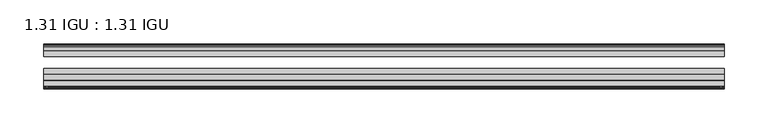
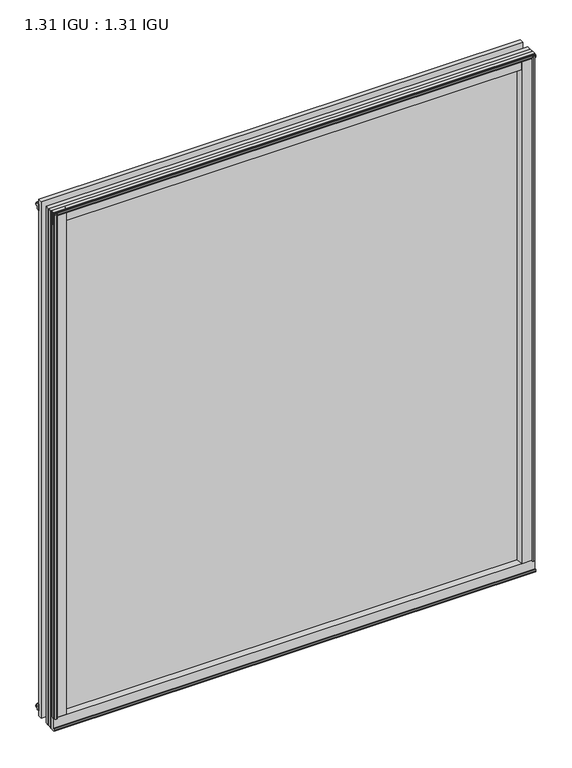
"""IFC4 building model written with IfcOpenShell, lengths in millimetres: plate geometry, 1.31 IGU : 1.31 IGU."""

from ifc_helpers import new_model, si_unit, point, frame, frame_2d, origin, origin_with_axes, place, context, project, spatial, polyline, circle_curve, trimmed, segment, composite_curve, outline, extrude, source, transform, mapped, element, save


def plate_1_31_igu_1_31_igu_3947d89f(model_context):
    return source(origin(), model_context, "Body", "SweptSolid", [
        extrude(outline(composite_curve([segment(polyline([(381.771726, -57.6333938), (365.5869791, -57.6333938)]), True, "CONTINUOUS"), segment(trimmed(circle_curve(frame_2d((358.2922499, -57.6547678)), 7.2947605), [point((365.5869791, -57.6333938))], [point((361.8445905, -51.2833938))], True, "CARTESIAN"), True, "CONTINUOUS"), segment(polyline([(361.8445905, -51.2833938), (384.7150114, -51.2833938)]), True, "CONTINUOUS"), segment(trimmed(circle_curve(frame_2d((384.7150114, -52.0707938)), 0.7874), [point((384.7150114, -51.2833938))], [point((385.4965422, -51.9748338))], False, "CARTESIAN"), True, "CONTINUOUS"), segment(polyline([(385.4965422, -51.9748338), (386.191326, -57.6333938), (384.260926, -57.6333938), (383.803726, -59.624458), (384.8050879, -59.3561439), (385.048326, -60.263921), (383.016326, -60.8083938), (380.984326, -60.263921), (381.2275641, -59.3561439), (382.228926, -59.624458), (381.771726, -57.6333938)]), True, "CONTINUOUS")], self_intersect=False)), origin_with_axes(), (0.0, 0.0, 1.0), 857.25),
        extrude(outline(composite_curve([segment(polyline([(-365.8846354, -57.6333937), (-382.0693823, -57.6333937), (-382.5265823, -59.624458), (-381.5252204, -59.3561439), (-381.2819823, -60.263921), (-383.3139823, -60.8083937), (-385.3459823, -60.263921), (-385.1027441, -59.3561439), (-384.1013823, -59.624458), (-384.5585823, -57.6333937), (-386.4889823, -57.6333937), (-385.7941985, -51.9748338)]), True, "CONTINUOUS"), segment(trimmed(circle_curve(frame_2d((-385.0126676, -52.0707937)), 0.7874), [point((-385.7941985, -51.9748338))], [point((-385.0126676, -51.2833937))], False, "CARTESIAN"), True, "CONTINUOUS"), segment(polyline([(-385.0126676, -51.2833937), (-362.1422467, -51.2833937)]), True, "CONTINUOUS"), segment(trimmed(circle_curve(frame_2d((-358.5899062, -57.6547678)), 7.2947605), [point((-362.1422467, -51.2833937))], [point((-365.8846354, -57.6333937))], True, "CARTESIAN"), True, "CONTINUOUS")], self_intersect=False)), origin_with_axes(), (0.0, 0.0, 1.0), 857.25),
        extrude(outline(polyline([(-9.7543937, -6.8579998), (-10.4009552, -9.2709998), (-11.2596632, -9.0409097), (-10.8839895, -7.6388763), (-13.1833937, -8.3819998), (-13.1833937, -11.7850089), (-17.9585937, -10.1533914), (-17.9585937, 0.6595133), (-13.1833937, -0.5079998), (-13.1833937, -5.4609998), (-10.8839895, -6.0771233), (-11.2596632, -4.6750899), (-10.4009552, -4.4449998), (-9.7543937, -6.8579998)])), frame((-386.5221354, 0.0, 0.0), z_axis=(1.0, 0.0, 0.0), x_axis=(0.0, 1.0, 0.0)), (0.0, 0.0, 1.0), 772.7466145),
        extrude(outline(composite_curve([segment(polyline([(-51.9748338, -19.930016), (-57.6333937, -20.6247998), (-57.6333937, -18.6943998), (-59.624458, -18.2371998), (-59.3561439, -19.2385617), (-60.263921, -19.4817998), (-60.8083937, -17.4497998), (-60.263921, -15.4177998), (-59.3561439, -15.6610379), (-59.624458, -16.6623998), (-57.6333937, -16.2051998), (-57.6333937, 0.0127002)]), True, "CONTINUOUS"), segment(trimmed(circle_curve(frame_2d((-58.1588233, 7.9620141)), 7.9666598), [point((-57.6333937, 0.0127002))], [point((-51.2833937, 3.9375717))], True, "CARTESIAN"), True, "CONTINUOUS"), segment(polyline([(-51.2833937, 3.9375717), (-51.2833937, -19.1484852)]), True, "CONTINUOUS"), segment(trimmed(circle_curve(frame_2d((-52.0707937, -19.1484852)), 0.7874), [point((-51.2833937, -19.1484852))], [point((-51.9748338, -19.930016))], False, "CARTESIAN"), True, "CONTINUOUS")], self_intersect=False)), frame((-386.5221354, 0.0, 0.0), z_axis=(1.0, 0.0, 0.0), x_axis=(0.0, 1.0, 0.0)), (0.0, 0.0, 1.0), 772.7466145),
        extrude(outline(polyline([(-17.9585937, 848.3533914), (-13.1833937, 849.9850089), (-13.1833937, 846.5819998), (-10.8839895, 845.8388763), (-11.2596632, 847.2409097), (-10.4009552, 847.4709998), (-9.7543937, 845.0579998), (-10.4009552, 842.6449998), (-11.2596632, 842.8750899), (-10.8839895, 844.2771233), (-13.1833937, 843.6609998), (-13.1833937, 838.7079998), (-17.9585937, 837.5404867), (-17.9585937, 848.3533914)])), frame((-386.5221354, 0.0, 0.0), z_axis=(1.0, 0.0, 0.0), x_axis=(0.0, 1.0, 0.0)), (0.0, 0.0, 1.0), 772.7466145),
        extrude(outline(composite_curve([segment(trimmed(circle_curve(frame_2d((-52.0707937, 857.3484852)), 0.7874), [point((-51.9748338, 858.130016))], [point((-51.2833937, 857.3484852))], False, "CARTESIAN"), True, "CONTINUOUS"), segment(polyline([(-51.2833937, 857.3484852), (-51.2833937, 834.2624283)]), True, "CONTINUOUS"), segment(trimmed(circle_curve(frame_2d((-58.1588233, 830.2379859)), 7.9666598), [point((-51.2833937, 834.2624283))], [point((-57.6333937, 838.1872998))], True, "CARTESIAN"), True, "CONTINUOUS"), segment(polyline([(-57.6333937, 838.1872998), (-57.6333937, 854.4051998), (-59.624458, 854.8623998), (-59.3561439, 853.8610379), (-60.263921, 853.6177998), (-60.8083937, 855.6497998), (-60.263921, 857.6817998), (-59.3561439, 857.4385617), (-59.624458, 856.4371998), (-57.6333937, 856.8943998), (-57.6333937, 858.8247998), (-51.9748338, 858.130016)]), True, "CONTINUOUS")], self_intersect=False)), frame((-386.5221354, 0.0, 0.0), z_axis=(1.0, 0.0, 0.0), x_axis=(0.0, 1.0, 0.0)), (0.0, 0.0, 1.0), 772.7466145),
        extrude(outline(polyline([(-375.1110116, -10.8839895), (-376.513045, -11.2596632), (-376.7431352, -10.4009552), (-374.3301352, -9.7543937), (-371.9171352, -10.4009552), (-372.1472253, -11.2596632), (-373.5492587, -10.8839895), (-372.9331352, -13.1833937), (-367.9801352, -13.1833937), (-366.812622, -17.9585937), (-377.6255268, -17.9585937), (-379.2571443, -13.1833937), (-375.8541352, -13.1833937), (-375.1110116, -10.8839895)])), origin_with_axes(), (0.0, 0.0, 1.0), 838.2),
        extrude(outline(polyline([(375.1237118, -10.8839895), (375.8668354, -13.1833937), (379.2698445, -13.1833937), (377.638227, -17.9585937), (366.8253223, -17.9585937), (367.9928354, -13.1833937), (372.9458354, -13.1833937), (373.5619589, -10.8839895), (372.1599255, -11.2596632), (371.9298354, -10.4009552), (374.3428354, -9.7543937), (376.7558354, -10.4009552), (376.5257452, -11.2596632), (375.1237118, -10.8839895)])), origin_with_axes(), (0.0, 0.0, 1.0), 838.2),
        extrude(outline(polyline([(386.2244791, -17.9585937), (386.2244791, -24.3085937), (-386.5221354, -24.3085937), (-386.5221354, -17.9585937), (386.2244791, -17.9585937)])), frame((0.0, 0.0, -19.0372998), z_axis=(0.0, 0.0, 1.0), x_axis=(1.0, 0.0, 0.0)), (0.0, 0.0, 1.0), 876.2872998),
        extrude(outline(polyline([(-386.5221354, -44.1459937), (-386.5221354, -37.7959937), (386.2244791, -37.7959937), (386.2244791, -44.1459937), (-386.5221354, -44.1459937)])), frame((0.0, 0.0, -19.0372998), z_axis=(0.0, 0.0, 1.0), x_axis=(1.0, 0.0, 0.0)), (0.0, 0.0, 1.0), 876.2872998),
        extrude(outline(polyline([(-386.5221354, -51.2833937), (-386.5221354, -44.9333937), (386.2244791, -44.9333937), (386.2244791, -51.2833937), (-386.5221354, -51.2833937)])), frame((0.0, 0.0, -19.0372998), z_axis=(0.0, 0.0, 1.0), x_axis=(1.0, 0.0, 0.0)), (0.0, 0.0, 1.0), 876.2872998),
    ])


if __name__ == "__main__":
    model = new_model("IFC4")
    model_context = context("Model", 3, world=origin())
    ifc_project = project(units=[si_unit("LENGTHUNIT", "METRE", prefix="MILLI")], contexts=[model_context])
    site = spatial("IfcSite", under=ifc_project)
    building = spatial("IfcBuilding", under=site)
    placement = place(None, origin())
    plate_1_31_igu_1_31_igu_shape = plate_1_31_igu_1_31_igu_3947d89f(model_context)
    element("IfcPlate", 1, ObjectType="1.31 IGU : 1.31 IGU", at=placement, inside=building, context=model_context, shape_type="MappedRepresentation", body=[
        mapped(plate_1_31_igu_1_31_igu_shape, transform((0.0, 0.0, 0.0), x_axis=(1.0, 0.0, 0.0), y_axis=(0.0, 1.0, 0.0), z_axis=(0.0, 0.0, 1.0))),
    ])
    save(model, "model.ifc")
